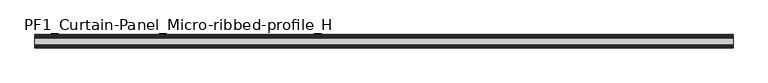
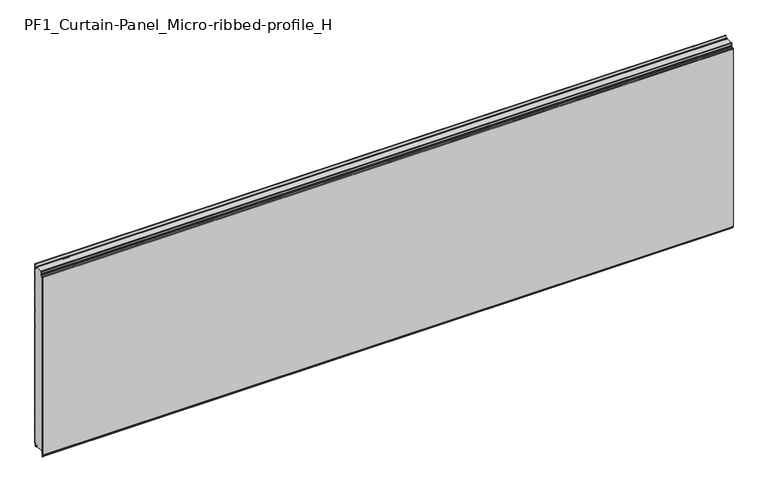
"""IFC4 building model written with IfcOpenShell, lengths in millimetres: plate geometry, PF1_Curtain-Panel_Micro-ribbed-profile_H."""

from ifc_helpers import new_model, si_unit, point, frame, frame_2d, origin, place, context, project, spatial, polyline, circle_curve, trimmed, segment, composite_curve, outline, extrude, source, transform, mapped, element, save


def pf1_curtain_panel_micro_ribbed_profile_h_d72ec08a(model_context):
    return source(origin(), model_context, "Body", "SweptSolid", [
        extrude(outline(composite_curve([segment(polyline([(-70.0, 0.0), (-73.5, 0.0)]), True, "CONTINUOUS"), segment(trimmed(circle_curve(frame_2d((-73.5, -2.0)), 2.0), [point((-73.5, 0.0))], [point((-75.5, -2.0))], True, "CARTESIAN"), True, "CONTINUOUS"), segment(polyline([(-75.5, -2.0), (-75.5, -33.0)]), True, "CONTINUOUS"), segment(trimmed(circle_curve(frame_2d((-76.5, -33.0)), 1.0), [point((-75.5, -33.0))], [point((-77.5, -33.0))], False, "CARTESIAN"), True, "CONTINUOUS"), segment(polyline([(-77.5, -33.0), (-77.5, -26.9)]), True, "CONTINUOUS"), segment(trimmed(circle_curve(frame_2d((-78.4, -26.9)), 0.9), [point((-77.5, -26.9))], [point((-78.4, -26.0))], True, "CARTESIAN"), True, "CONTINUOUS"), segment(trimmed(circle_curve(frame_2d((-78.4, -24.4)), 1.6), [point((-78.4, -26.0))], [point((-80.0, -24.4))], False, "CARTESIAN"), True, "CONTINUOUS"), segment(polyline([(-80.0, -24.4), (-80.0, 1123.168846)]), True, "CONTINUOUS"), segment(trimmed(circle_curve(frame_2d((-79.0, 1123.168846)), 1.0), [point((-80.0, 1123.168846))], [point((-78.0, 1123.168846))], False, "CARTESIAN"), True, "CONTINUOUS"), segment(polyline([(-78.0, 1123.168846), (-78.0, 1117.168846)]), True, "CONTINUOUS"), segment(trimmed(circle_curve(frame_2d((-76.5, 1117.168846)), 1.5), [point((-78.0, 1117.168846))], [point((-75.0, 1117.168846))], True, "CARTESIAN"), True, "CONTINUOUS"), segment(polyline([(-75.0, 1117.168846), (-75.0, 1117.9964664)]), True, "CONTINUOUS"), segment(trimmed(circle_curve(frame_2d((-68.8276204, 1117.9964664)), 6.1723796), [point((-75.0, 1117.9964664))], [point((-68.8276204, 1124.168846))], False, "CARTESIAN"), True, "CONTINUOUS"), segment(polyline([(-68.8276204, 1124.168846), (-68.0, 1124.168846)]), True, "CONTINUOUS"), segment(trimmed(circle_curve(frame_2d((-68.0, 1125.168846)), 1.0), [point((-68.0, 1124.168846))], [point((-67.0, 1125.168846))], True, "CARTESIAN"), True, "CONTINUOUS"), segment(polyline([(-67.0, 1125.168846), (-67.0, 1131.6688472), (-65.4999999, 1133.168846), (-67.0, 1134.6688448), (-67.0, 1146.568846)]), True, "CONTINUOUS"), segment(trimmed(circle_curve(frame_2d((-64.4, 1146.568846)), 2.6), [point((-67.0, 1146.568846))], [point((-64.4, 1149.168846))], False, "CARTESIAN"), True, "CONTINUOUS"), segment(polyline([(-64.4, 1149.168846), (-63.0, 1149.168846), (-63.0, 1148.368846), (-64.4, 1148.368846)]), True, "CONTINUOUS"), segment(trimmed(circle_curve(frame_2d((-64.4, 1146.568846)), 1.8), [point((-64.4, 1148.368846))], [point((-66.2, 1146.568846))], True, "CARTESIAN"), True, "CONTINUOUS"), segment(polyline([(-66.2, 1146.568846), (-66.2, 1135.0002158), (-64.3686285, 1133.168846), (-66.2, 1131.3374762), (-66.2, 1125.168846)]), True, "CONTINUOUS"), segment(trimmed(circle_curve(frame_2d((-68.0, 1125.168846)), 1.8), [point((-66.2, 1125.168846))], [point((-68.0, 1123.368846))], False, "CARTESIAN"), True, "CONTINUOUS"), segment(polyline([(-68.0, 1123.368846), (-68.8276204, 1123.368846)]), True, "CONTINUOUS"), segment(trimmed(circle_curve(frame_2d((-68.8276204, 1117.9964664)), 5.3723796), [point((-68.8276204, 1123.368846))], [point((-74.2, 1117.9964664))], True, "CARTESIAN"), True, "CONTINUOUS"), segment(polyline([(-74.2, 1117.9964664), (-74.2, 1117.168846)]), True, "CONTINUOUS"), segment(trimmed(circle_curve(frame_2d((-76.4, 1117.168846)), 2.2), [point((-74.2, 1117.168846))], [point((-78.6, 1117.168846))], False, "CARTESIAN"), True, "CONTINUOUS"), segment(polyline([(-78.6, 1117.168846), (-78.6, 1123.0579973)]), True, "CONTINUOUS"), segment(trimmed(circle_curve(frame_2d((-78.9, 1123.0579973)), 0.3), [point((-78.6, 1123.0579973))], [point((-79.2, 1123.0579973))], True, "CARTESIAN"), True, "CONTINUOUS"), segment(polyline([(-79.2, 1123.0579973), (-79.2, -24.4)]), True, "CONTINUOUS"), segment(trimmed(circle_curve(frame_2d((-78.4, -24.4)), 0.8), [point((-79.2, -24.4))], [point((-78.4, -25.2))], True, "CARTESIAN"), True, "CONTINUOUS"), segment(trimmed(circle_curve(frame_2d((-78.6133333, -26.9)), 1.7133333), [point((-78.4, -25.2))], [point((-76.9, -26.9))], False, "CARTESIAN"), True, "CONTINUOUS"), segment(polyline([(-76.9, -26.9), (-76.9, -32.8700312)]), True, "CONTINUOUS"), segment(trimmed(circle_curve(frame_2d((-76.6, -32.8700312)), 0.3), [point((-76.9, -32.8700312))], [point((-76.3, -32.8700312))], True, "CARTESIAN"), True, "CONTINUOUS"), segment(polyline([(-76.3, -32.8700312), (-76.3, -2.0)]), True, "CONTINUOUS"), segment(trimmed(circle_curve(frame_2d((-73.5, -2.0)), 2.8), [point((-76.3, -2.0))], [point((-73.5, 0.8))], False, "CARTESIAN"), True, "CONTINUOUS"), segment(polyline([(-73.5, 0.8), (-70.0, 0.8), (-70.0, 0.0)]), True, "CONTINUOUS")], self_intersect=False)), frame((-2100.0, 0.0, 0.0), z_axis=(1.0, 0.0, 0.0), x_axis=(0.0, 1.0, 0.0)), (0.0, 0.0, 1.0), 4200.0),
        extrude(outline(composite_curve([segment(polyline([(-15.878557, 0.0), (-20.0, 0.0), (-20.0, 0.8), (-15.878557, 0.8)]), True, "CONTINUOUS"), segment(trimmed(circle_curve(frame_2d((-15.878557, -2.0)), 2.8), [point((-15.878557, 0.8))], [point((-13.1503208, -1.370137))], False, "CARTESIAN"), True, "CONTINUOUS"), segment(polyline([(-13.1503208, -1.370137), (-11.728236, -7.529863)]), True, "CONTINUOUS"), segment(trimmed(circle_curve(frame_2d((-9.0, -6.9)), 2.8), [point((-11.728236, -7.529863))], [point((-6.2, -6.9))], True, "CARTESIAN"), True, "CONTINUOUS"), segment(polyline([(-6.2, -6.9), (-6.2, 8.6)]), True, "CONTINUOUS"), segment(trimmed(circle_curve(frame_2d((-3.4, 8.6)), 2.8), [point((-6.2, 8.6))], [point((-3.4, 11.4))], False, "CARTESIAN"), True, "CONTINUOUS"), segment(polyline([(-3.4, 11.4), (-2.0, 11.4)]), True, "CONTINUOUS"), segment(trimmed(circle_curve(frame_2d((-2.0, 12.6)), 1.2), [point((-2.0, 11.4))], [point((-0.8, 12.6))], True, "CARTESIAN"), True, "CONTINUOUS"), segment(polyline([(-0.8, 12.6), (-0.8, 57.6856412), (-2.482606, 60.6), (-0.8, 63.5143588), (-0.8, 157.6856412), (-2.482606, 160.6), (-0.8, 163.5143588), (-0.8, 257.6856412), (-2.482606, 260.6), (-0.8, 263.5143588), (-0.8, 357.6856412), (-2.482606, 360.6), (-0.8, 363.5143588), (-0.8, 457.6856412), (-2.482606, 460.6), (-0.8, 463.5143588), (-0.8, 557.6856412), (-2.482606, 560.6), (-0.8, 563.5143588), (-0.8, 657.6856412), (-2.482606, 660.6), (-0.8, 663.5143588), (-0.8, 757.6856412), (-2.482606, 760.6), (-0.8, 763.5143588), (-0.8, 857.6856412), (-2.482606, 860.6), (-0.8, 863.5143588), (-0.8, 957.6856412), (-2.482606, 960.6), (-0.8, 963.5143588), (-0.8, 1057.6856412), (-2.482606, 1060.6), (-0.8, 1063.5143588), (-0.8, 1158.268846)]), True, "CONTINUOUS"), segment(trimmed(circle_curve(frame_2d((-2.5, 1158.268846)), 1.7), [point((-0.8, 1158.268846))], [point((-4.2, 1158.268846))], True, "CARTESIAN"), True, "CONTINUOUS"), segment(polyline([(-4.2, 1158.268846), (-4.2, 1141.268846)]), True, "CONTINUOUS"), segment(trimmed(circle_curve(frame_2d((-9.0, 1141.268846)), 4.8), [point((-4.2, 1141.268846))], [point((-13.7270771, 1140.4353344))], False, "CARTESIAN"), True, "CONTINUOUS"), segment(polyline([(-13.7270771, 1140.4353344), (-14.8636953, 1146.8814129)]), True, "CONTINUOUS"), segment(trimmed(circle_curve(frame_2d((-16.6363492, 1146.568846)), 1.8), [point((-14.8636953, 1146.8814129))], [point((-16.6363492, 1148.368846))], True, "CARTESIAN"), True, "CONTINUOUS"), segment(polyline([(-16.6363492, 1148.368846), (-20.0, 1148.368846), (-20.0, 1149.168846), (-16.6363492, 1149.168846)]), True, "CONTINUOUS"), segment(trimmed(circle_curve(frame_2d((-16.6363492, 1146.568846)), 2.6), [point((-16.6363492, 1149.168846))], [point((-14.0758491, 1147.0203315))], False, "CARTESIAN"), True, "CONTINUOUS"), segment(polyline([(-14.0758491, 1147.0203315), (-12.939231, 1140.574253)]), True, "CONTINUOUS"), segment(trimmed(circle_curve(frame_2d((-9.0, 1141.268846)), 4.0), [point((-12.939231, 1140.574253))], [point((-5.0, 1141.268846))], True, "CARTESIAN"), True, "CONTINUOUS"), segment(polyline([(-5.0, 1141.268846), (-5.0, 1158.268846)]), True, "CONTINUOUS"), segment(trimmed(circle_curve(frame_2d((-2.5, 1158.268846)), 2.5), [point((-5.0, 1158.268846))], [point((0.0, 1158.268846))], False, "CARTESIAN"), True, "CONTINUOUS"), segment(polyline([(0.0, 1158.268846), (0.0, 1063.2999995), (-1.5588455, 1060.6), (0.0, 1057.9000005), (0.0, 963.2999995), (-1.5588455, 960.6), (0.0, 957.9000005), (0.0, 863.2999995), (-1.5588455, 860.6), (0.0, 857.9000005), (0.0, 763.2999995), (-1.5588455, 760.6), (0.0, 757.9000005), (0.0, 663.2999995), (-1.5588455, 660.6), (0.0, 657.9000005), (0.0, 563.2999995), (-1.5588455, 560.6), (0.0, 557.9000005), (0.0, 463.2999995), (-1.5588455, 460.6), (0.0, 457.9000005), (0.0, 363.2999995), (-1.5588455, 360.6), (0.0, 357.9000005), (0.0, 263.2999995), (-1.5588455, 260.6), (0.0, 257.9000005), (0.0, 163.2999995), (-1.5588455, 160.6), (0.0, 157.9000005), (0.0, 63.2999995), (-1.5588455, 60.6), (0.0, 57.9000005), (0.0, 12.6)]), True, "CONTINUOUS"), segment(trimmed(circle_curve(frame_2d((-2.0, 12.6)), 2.0), [point((0.0, 12.6))], [point((-2.0, 10.6))], False, "CARTESIAN"), True, "CONTINUOUS"), segment(polyline([(-2.0, 10.6), (-3.4, 10.6)]), True, "CONTINUOUS"), segment(trimmed(circle_curve(frame_2d((-3.4, 8.6)), 2.0), [point((-3.4, 10.6))], [point((-5.4, 8.6))], True, "CARTESIAN"), True, "CONTINUOUS"), segment(polyline([(-5.4, 8.6), (-5.4, -6.9)]), True, "CONTINUOUS"), segment(trimmed(circle_curve(frame_2d((-9.0, -6.9)), 3.6), [point((-5.4, -6.9))], [point((-12.5077322, -7.7098239))], False, "CARTESIAN"), True, "CONTINUOUS"), segment(polyline([(-12.5077322, -7.7098239), (-13.929817, -1.5500979)]), True, "CONTINUOUS"), segment(trimmed(circle_curve(frame_2d((-15.878557, -2.0)), 2.0), [point((-13.929817, -1.5500979))], [point((-15.878557, 0.0))], True, "CARTESIAN"), True, "CONTINUOUS")], self_intersect=False)), frame((-2100.0, 0.0, 0.0), z_axis=(1.0, 0.0, 0.0), x_axis=(0.0, 1.0, 0.0)), (0.0, 0.0, 1.0), 4200.0),
        extrude(outline(composite_curve([segment(polyline([(-70.0, 0.8), (-73.5, 0.8)]), True, "CONTINUOUS"), segment(trimmed(circle_curve(frame_2d((-73.5, -2.0)), 2.8), [point((-73.5, 0.8))], [point((-76.3, -2.0))], True, "CARTESIAN"), True, "CONTINUOUS"), segment(polyline([(-76.3, -2.0), (-76.3, -32.8700312)]), True, "CONTINUOUS"), segment(trimmed(circle_curve(frame_2d((-76.6, -32.8700312)), 0.3), [point((-76.3, -32.8700312))], [point((-76.9, -32.8700312))], False, "CARTESIAN"), True, "CONTINUOUS"), segment(polyline([(-76.9, -32.8700312), (-76.9, -26.9)]), True, "CONTINUOUS"), segment(trimmed(circle_curve(frame_2d((-78.6133333, -26.9)), 1.7133333), [point((-76.9, -26.9))], [point((-78.4, -25.2))], True, "CARTESIAN"), True, "CONTINUOUS"), segment(trimmed(circle_curve(frame_2d((-78.4, -24.4)), 0.8), [point((-78.4, -25.2))], [point((-79.2, -24.4))], False, "CARTESIAN"), True, "CONTINUOUS"), segment(polyline([(-79.2, -24.4), (-79.2, 1123.0579973)]), True, "CONTINUOUS"), segment(trimmed(circle_curve(frame_2d((-78.9, 1123.0579973)), 0.3), [point((-79.2, 1123.0579973))], [point((-78.6, 1123.0579973))], False, "CARTESIAN"), True, "CONTINUOUS"), segment(polyline([(-78.6, 1123.0579973), (-78.6, 1117.168846)]), True, "CONTINUOUS"), segment(trimmed(circle_curve(frame_2d((-76.4, 1117.168846)), 2.2), [point((-78.6, 1117.168846))], [point((-74.2, 1117.168846))], True, "CARTESIAN"), True, "CONTINUOUS"), segment(polyline([(-74.2, 1117.168846), (-74.2, 1117.9964664)]), True, "CONTINUOUS"), segment(trimmed(circle_curve(frame_2d((-68.8276204, 1117.9964664)), 5.3723796), [point((-74.2, 1117.9964664))], [point((-68.8276204, 1123.368846))], False, "CARTESIAN"), True, "CONTINUOUS"), segment(polyline([(-68.8276204, 1123.368846), (-68.0, 1123.368846)]), True, "CONTINUOUS"), segment(trimmed(circle_curve(frame_2d((-68.0, 1125.168846)), 1.8), [point((-68.0, 1123.368846))], [point((-66.2, 1125.168846))], True, "CARTESIAN"), True, "CONTINUOUS"), segment(polyline([(-66.2, 1125.168846), (-66.2, 1131.3374762), (-64.3686285, 1133.168846), (-66.2, 1135.0002158), (-66.2, 1146.568846)]), True, "CONTINUOUS"), segment(trimmed(circle_curve(frame_2d((-64.4, 1146.568846)), 1.8), [point((-66.2, 1146.568846))], [point((-64.4, 1148.368846))], False, "CARTESIAN"), True, "CONTINUOUS"), segment(polyline([(-64.4, 1148.368846), (-63.0, 1148.368846), (-63.0, 1149.168846), (-20.0, 1149.168846), (-20.0, 1148.368846), (-16.6363492, 1148.368846)]), True, "CONTINUOUS"), segment(trimmed(circle_curve(frame_2d((-16.6363492, 1146.568846)), 1.8), [point((-16.6363492, 1148.368846))], [point((-14.8636953, 1146.8814129))], False, "CARTESIAN"), True, "CONTINUOUS"), segment(polyline([(-14.8636953, 1146.8814129), (-13.7270772, 1140.4353344)]), True, "CONTINUOUS"), segment(trimmed(circle_curve(frame_2d((-9.0, 1141.268846)), 4.8), [point((-13.7270772, 1140.4353344))], [point((-4.2, 1141.268846))], True, "CARTESIAN"), True, "CONTINUOUS"), segment(polyline([(-4.2, 1141.268846), (-4.2, 1158.268846)]), True, "CONTINUOUS"), segment(trimmed(circle_curve(frame_2d((-2.5, 1158.268846)), 1.7), [point((-4.2, 1158.268846))], [point((-0.8, 1158.268846))], False, "CARTESIAN"), True, "CONTINUOUS"), segment(polyline([(-0.8, 1158.268846), (-0.8, 1063.5143588), (-2.482606, 1060.6), (-0.8, 1057.6856412), (-0.8, 963.5143588), (-2.482606, 960.6), (-0.8, 957.6856412), (-0.8, 863.5143588), (-2.482606, 860.6), (-0.8, 857.6856412), (-0.8, 763.5143588), (-2.482606, 760.6), (-0.8, 757.6856412), (-0.8, 663.5143588), (-2.482606, 660.6), (-0.8, 657.6856412), (-0.8, 563.5143588), (-2.482606, 560.6), (-0.8, 557.6856412), (-0.8, 463.5143588), (-2.482606, 460.6), (-0.8, 457.6856412), (-0.8, 363.5143588), (-2.482606, 360.6), (-0.8, 357.6856412), (-0.8, 263.5143588), (-2.482606, 260.6), (-0.8, 257.6856412), (-0.8, 163.5143588), (-2.482606, 160.6), (-0.8, 157.6856412), (-0.8, 63.5143588), (-2.482606, 60.6), (-0.8, 57.6856412), (-0.8, 12.6)]), True, "CONTINUOUS"), segment(trimmed(circle_curve(frame_2d((-2.0, 12.6)), 1.2), [point((-0.8, 12.6))], [point((-2.0, 11.4))], False, "CARTESIAN"), True, "CONTINUOUS"), segment(polyline([(-2.0, 11.4), (-3.4, 11.4)]), True, "CONTINUOUS"), segment(trimmed(circle_curve(frame_2d((-3.4, 8.6)), 2.8), [point((-3.4, 11.4))], [point((-6.2, 8.6))], True, "CARTESIAN"), True, "CONTINUOUS"), segment(polyline([(-6.2, 8.6), (-6.2, -6.9)]), True, "CONTINUOUS"), segment(trimmed(circle_curve(frame_2d((-9.0, -6.9)), 2.8), [point((-6.2, -6.9))], [point((-11.7282362, -7.529863))], False, "CARTESIAN"), True, "CONTINUOUS"), segment(polyline([(-11.7282362, -7.529863), (-13.1503208, -1.370137)]), True, "CONTINUOUS"), segment(trimmed(circle_curve(frame_2d((-15.878557, -2.0)), 2.8), [point((-13.1503208, -1.370137))], [point((-15.878557, 0.8))], True, "CARTESIAN"), True, "CONTINUOUS"), segment(polyline([(-15.878557, 0.8), (-20.0, 0.8), (-20.0, 0.0), (-70.0, 0.0), (-70.0, 0.8)]), True, "CONTINUOUS")], self_intersect=False)), frame((-2100.0, 0.0, 0.0), z_axis=(1.0, 0.0, 0.0), x_axis=(0.0, 1.0, 0.0)), (0.0, 0.0, 1.0), 4200.0),
    ])


if __name__ == "__main__":
    model = new_model("IFC4")
    model_context = context("Model", 3, world=origin())
    ifc_project = project(units=[si_unit("LENGTHUNIT", "METRE", prefix="MILLI")], contexts=[model_context])
    site = spatial("IfcSite", under=ifc_project)
    building = spatial("IfcBuilding", under=site)
    placement = place(None, origin())
    pf1_curtain_panel_micro_ribbed_profile_h_shape = pf1_curtain_panel_micro_ribbed_profile_h_d72ec08a(model_context)
    element("IfcPlate", 1, ObjectType="PF1_Curtain-Panel_Micro-ribbed-profile_H", at=placement, inside=building, context=model_context, shape_type="MappedRepresentation", body=[
        mapped(pf1_curtain_panel_micro_ribbed_profile_h_shape, transform((0.0, 0.0, 0.0), x_axis=(1.0, 0.0, 0.0), y_axis=(0.0, 1.0, 0.0), z_axis=(0.0, 0.0, 1.0))),
    ])
    save(model, "model.ifc")
